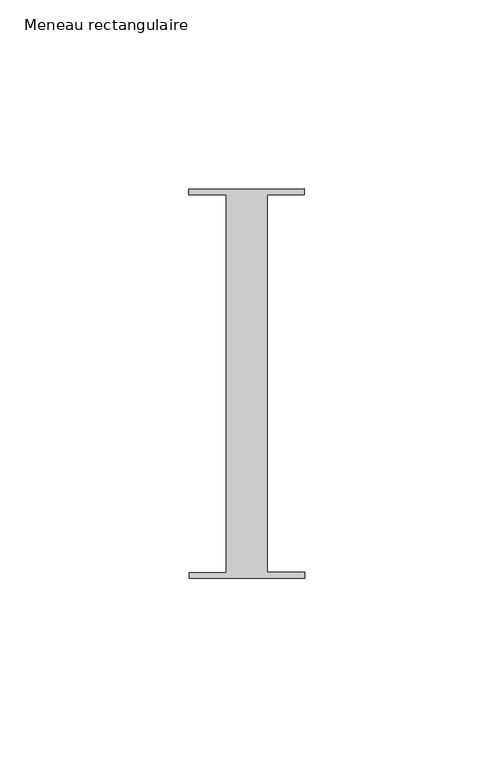
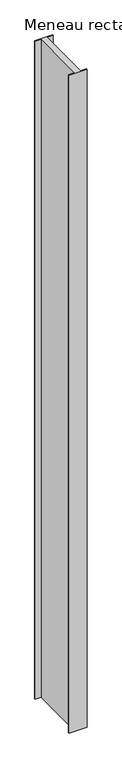
"""IFC4 building model written with IfcOpenShell, lengths in millimetres: member geometry, Meneau rectangulaire."""

from ifc_helpers import new_model, si_unit, frame, origin, place, context, project, spatial, polyline, outline, extrude, source, transform, mapped, element, save


def meneau_rectangulaire_53008a33(model_context):
    return source(origin(), model_context, "Body", "SweptSolid", [
        extrude(outline(polyline([(15.1919193, 51.5152664), (15.1934333, 50.0054494), (5.4028486, 50.0054494), (5.4028486, -49.9846825), (15.2937013, -49.9846825), (15.2952055, -51.4846817), (-15.2047792, -51.5152664), (-15.2062834, -50.0152672), (-5.4194144, -50.0152672), (-5.4194144, 49.9942223), (-15.3065707, 49.9942223), (-15.3080653, 51.4846817), (15.1919193, 51.5152664)])), frame((0.0, 0.0, -1199.2000003), z_axis=(0.0, 0.0, 1.0), x_axis=(1.0, 0.0, 0.0)), (0.0, 0.0, 1.0), 1199.2000003),
    ])


if __name__ == "__main__":
    model = new_model("IFC4")
    model_context = context("Model", 3, world=origin())
    ifc_project = project(units=[si_unit("LENGTHUNIT", "METRE", prefix="MILLI")], contexts=[model_context])
    site = spatial("IfcSite", under=ifc_project)
    building = spatial("IfcBuilding", under=site)
    placement = place(None, origin())
    meneau_rectangulaire_shape = meneau_rectangulaire_53008a33(model_context)
    element("IfcMember", 1, ObjectType="Meneau rectangulaire", at=placement, inside=building, context=model_context, shape_type="MappedRepresentation", body=[
        mapped(meneau_rectangulaire_shape, transform((0.0, 0.0, 0.0), x_axis=(1.0, 0.0, 0.0), y_axis=(0.0, 1.0, 0.0), z_axis=(0.0, 0.0, 1.0))),
    ])
    save(model, "model.ifc")
